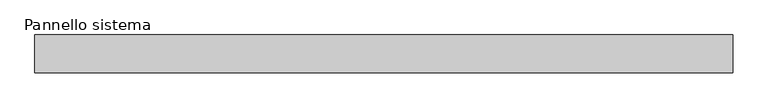
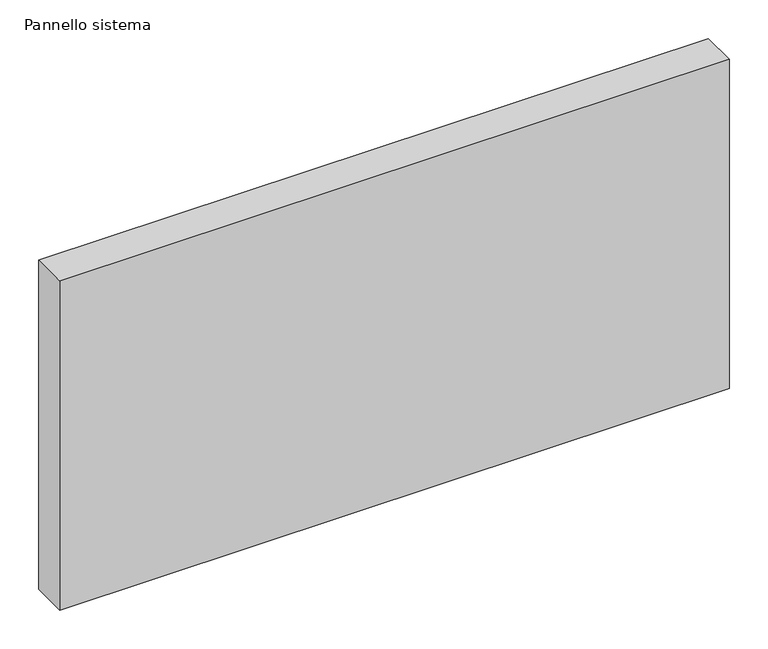
"""IFC4 building model written with IfcOpenShell, lengths in millimetres: plate geometry, Pannello sistema."""

from ifc_helpers import new_model, si_unit, origin, origin_with_axes, place, context, project, spatial, polyline, outline, extrude, source, transform, mapped, element, save


def pannello_sistema_4fdbe985(model_context):
    return source(origin(), model_context, "Body", "SweptSolid", [
        extrude(outline(polyline([(500.0, -27.0), (-500.0, -27.0), (-500.0, 27.0), (500.0, 27.0), (500.0, -27.0)])), origin_with_axes(), (0.0, 0.0, 1.0), 520.0),
    ])


if __name__ == "__main__":
    model = new_model("IFC4")
    model_context = context("Model", 3, world=origin())
    ifc_project = project(units=[si_unit("LENGTHUNIT", "METRE", prefix="MILLI")], contexts=[model_context])
    site = spatial("IfcSite", under=ifc_project)
    building = spatial("IfcBuilding", under=site)
    placement = place(None, origin())
    pannello_sistema_shape = pannello_sistema_4fdbe985(model_context)
    element("IfcPlate", 1, ObjectType="Pannello sistema", at=placement, inside=building, context=model_context, shape_type="MappedRepresentation", body=[
        mapped(pannello_sistema_shape, transform((0.0, 0.0, 0.0), x_axis=(1.0, 0.0, 0.0), y_axis=(0.0, 1.0, 0.0), z_axis=(0.0, 0.0, 1.0))),
    ])
    save(model, "model.ifc")
